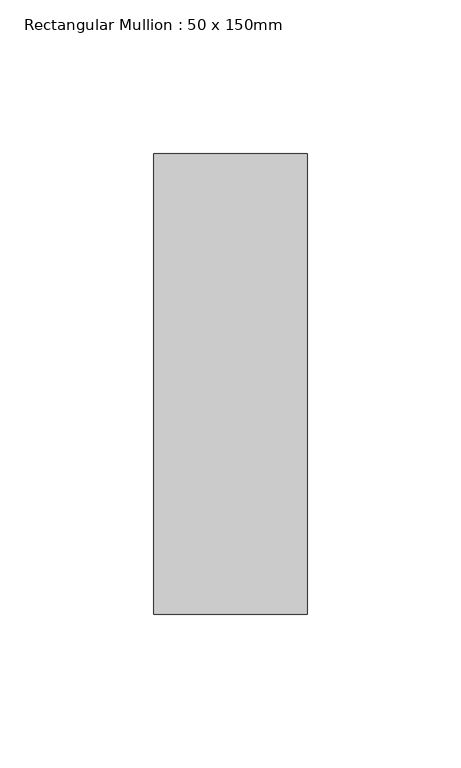
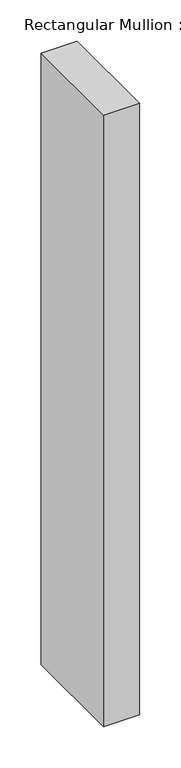
"""IFC4 building model written with IfcOpenShell, lengths in millimetres: member geometry, Rectangular Mullion : 50 x 150mm."""

from ifc_helpers import new_model, si_unit, frame, origin, place, context, project, spatial, polyline, outline, extrude, source, transform, mapped, element, save


def rectangular_mullion_50_x_150mm_3ddb3363(model_context):
    return source(origin(), model_context, "Body", "SweptSolid", [
        extrude(outline(polyline([(25.0, 75.0), (25.0, -75.0), (-25.0, -75.0), (-25.0, 75.0), (25.0, 75.0)])), frame((0.0, 0.0, -900.0), z_axis=(0.0, 0.0, 1.0), x_axis=(1.0, 0.0, 0.0)), (0.0, 0.0, 1.0), 900.0),
    ])


if __name__ == "__main__":
    model = new_model("IFC4")
    model_context = context("Model", 3, world=origin())
    ifc_project = project(units=[si_unit("LENGTHUNIT", "METRE", prefix="MILLI")], contexts=[model_context])
    site = spatial("IfcSite", under=ifc_project)
    building = spatial("IfcBuilding", under=site)
    placement = place(None, origin())
    rectangular_mullion_50_x_150mm_shape = rectangular_mullion_50_x_150mm_3ddb3363(model_context)
    element("IfcMember", 1, ObjectType="Rectangular Mullion : 50 x 150mm", at=placement, inside=building, context=model_context, shape_type="MappedRepresentation", body=[
        mapped(rectangular_mullion_50_x_150mm_shape, transform((0.0, 0.0, 0.0), x_axis=(1.0, 0.0, 0.0), y_axis=(0.0, 1.0, 0.0), z_axis=(0.0, 0.0, 1.0))),
    ])
    save(model, "model.ifc")
